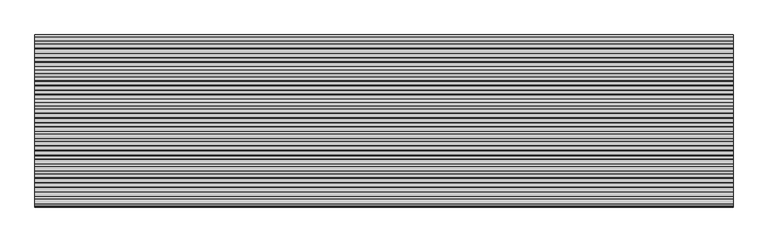
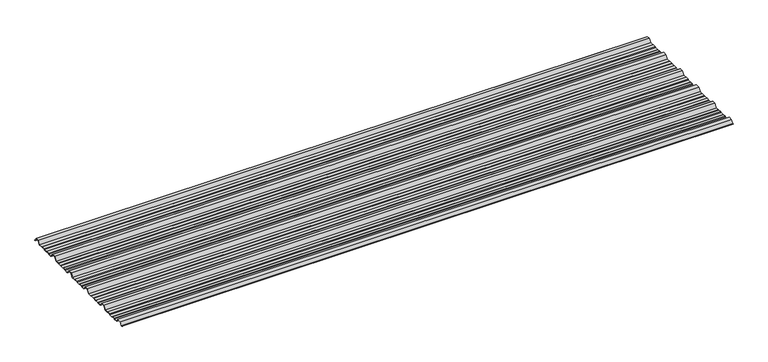
"""IFC4 building model written with IfcOpenShell, lengths in millimetres: beam geometry."""

import ifcopenshell
import ifcopenshell.guid

model = None  # the IFC model being written
_history = None  # IfcOwnerHistory: only IFC2X3 demands one
_inside = {}  # id of a spatial element -> (the spatial element, [elements in it])
_under = {}  # id of a project, library or spatial element -> (it, [spatial elements below it])
_declared = {}  # id of a project -> (the project, [libraries it declares])
_typed = {}  # id of a type object -> (the type object, [elements of that type])
_made_of = {}  # id of a material, layer set ... -> (it, [elements and type objects made of it])


def new_model(schema):
    """Start an empty IFC model of exactly this schema.

    Asked for "IFC4X3", IfcOpenShell would pick the latest addendum, in which some entities
    have other attributes; the version numbers below select the first issue.
    IFC2X3 requires an IfcOwnerHistory on every rooted entity: one is made here for all.
    """
    global model, _history
    if schema == "IFC4X3":
        model = ifcopenshell.file(schema_version=(4, 3, 0, 0))
    else:
        model = ifcopenshell.file(schema=schema)
    _inside.clear()
    _under.clear()
    _declared.clear()
    _typed.clear()
    _made_of.clear()
    _history = None
    if model.schema == "IFC2X3":
        org = make("IfcOrganization", Name="unknown")
        user = make(
            "IfcPersonAndOrganization",
            ThePerson=make("IfcPerson", FamilyName="unknown"),
            TheOrganization=org,
        )
        app = make(
            "IfcApplication",
            ApplicationDeveloper=org,
            Version="unknown",
            ApplicationFullName="unknown",
            ApplicationIdentifier="unknown",
        )
        _history = make(
            "IfcOwnerHistory",
            OwningUser=user,
            OwningApplication=app,
            ChangeAction="ADDED",
            CreationDate=0,
        )
    return model


def make(cls, **values):
    """One entity of the class cls with the attributes given. An attribute that is None is left unset."""
    return model.create_entity(
        cls, **{name: value for name, value in values.items() if value is not None}
    )


def rooted(cls, **values):
    """An entity with a GlobalId (a new one), such as an element, a storey or a relation."""
    return make(cls, GlobalId=ifcopenshell.guid.new(), OwnerHistory=_history, **values)


def si_unit(unit_type, name, prefix=None):
    """IfcSIUnit, for example si_unit("LENGTHUNIT", "METRE", prefix="MILLI")."""
    return make("IfcSIUnit", UnitType=unit_type, Prefix=prefix, Name=name)


def assignment(units):
    """IfcUnitAssignment: the units of a project."""
    return None if units is None else make("IfcUnitAssignment", Units=units)


def point(xyz):
    """IfcCartesianPoint."""
    return None if xyz is None else make("IfcCartesianPoint", Coordinates=xyz)


def direction(xyz):
    """IfcDirection."""
    return None if xyz is None else make("IfcDirection", DirectionRatios=xyz)


def frame(location, z_axis=None, x_axis=None):
    """IfcAxis2Placement3D, a coordinate frame: its origin and axes. An axis left out is left unset."""
    return make(
        "IfcAxis2Placement3D",
        Location=point(location),
        Axis=direction(z_axis),
        RefDirection=direction(x_axis),
    )


def frame_2d(location, x_axis=None):
    """IfcAxis2Placement2D, a coordinate frame in the plane: its origin and x axis."""
    return make(
        "IfcAxis2Placement2D", Location=point(location), RefDirection=direction(x_axis)
    )


def origin():
    """The frame at (0, 0, 0) with its axes left unset."""
    return frame((0.0, 0.0, 0.0))


def place(relative_to, where):
    """IfcLocalPlacement: puts the frame where relative to a parent placement (None: the world)."""
    return make(
        "IfcLocalPlacement", PlacementRelTo=relative_to, RelativePlacement=where
    )


def context(
    kind, dimensions, precision=None, world=None, true_north=None, identifier=None
):
    """IfcGeometricRepresentationContext, for example the 3D "Model" context."""
    return make(
        "IfcGeometricRepresentationContext",
        ContextIdentifier=identifier,
        ContextType=kind,
        CoordinateSpaceDimension=dimensions,
        Precision=precision,
        WorldCoordinateSystem=world,
        TrueNorth=true_north,
    )


def project(units=None, contexts=None):
    """IfcProject with its units and contexts."""
    return rooted(
        "IfcProject",
        Name="project",
        RepresentationContexts=contexts,
        UnitsInContext=assignment(units),
    )


def spatial(cls, under=None, at=None, **own):
    """A site, building, storey or space (cls), placed at a placement, below another one or the project."""
    s = rooted(cls, ObjectPlacement=at, **own)
    if under is not None:
        _under.setdefault(under.id(), (under, []))[1].append(s)
    return s


def polyline(points):
    """IfcPolyline through the points."""
    return make("IfcPolyline", Points=[point(p) for p in points])


def circle_curve(where, radius):
    """IfcCircle in the frame where."""
    return make("IfcCircle", Position=where, Radius=radius)


def trimmed(basis, trim1, trim2, sense, master):
    """IfcTrimmedCurve: the piece of a basis curve between two trims."""
    return make(
        "IfcTrimmedCurve",
        BasisCurve=basis,
        Trim1=trim1,
        Trim2=trim2,
        SenseAgreement=sense,
        MasterRepresentation=master,
    )


def segment(curve, same_sense, transition):
    """IfcCompositeCurveSegment."""
    return make(
        "IfcCompositeCurveSegment",
        Transition=transition,
        SameSense=same_sense,
        ParentCurve=curve,
    )


def composite_curve(segments, self_intersect=None):
    """IfcCompositeCurve: segments joined end to end."""
    return make("IfcCompositeCurve", Segments=segments, SelfIntersect=self_intersect)


def outline(outer, holes=None, kind="AREA"):
    """IfcArbitraryClosedProfileDef: a profile drawn as a closed curve; with holes, ...WithVoids."""
    if holes is None:
        return make("IfcArbitraryClosedProfileDef", ProfileType=kind, OuterCurve=outer)
    return make(
        "IfcArbitraryProfileDefWithVoids",
        ProfileType=kind,
        OuterCurve=outer,
        InnerCurves=holes,
    )


def extrude(swept, where, along, depth):
    """IfcExtrudedAreaSolid: the profile swept, set in the frame where, extruded along a direction by depth."""
    return make(
        "IfcExtrudedAreaSolid",
        SweptArea=swept,
        Position=where,
        ExtrudedDirection=direction(along),
        Depth=depth,
    )


def shape(context_of_items, identifier, shape_type, items):
    """IfcShapeRepresentation: the items that make up one representation, for example the "Body"."""
    return make(
        "IfcShapeRepresentation",
        ContextOfItems=context_of_items,
        RepresentationIdentifier=identifier,
        RepresentationType=shape_type,
        Items=items,
    )


def source(mapping_origin, context_of_items, identifier, shape_type, items):
    """IfcRepresentationMap: a shape defined once, which mapped items show again and again."""
    return make(
        "IfcRepresentationMap",
        MappingOrigin=mapping_origin,
        MappedRepresentation=shape(context_of_items, identifier, shape_type, items),
    )


def transform(
    local_origin,
    x_axis=None,
    y_axis=None,
    z_axis=None,
    scale=None,
    scale2=None,
    scale3=None,
    uniform=True,
):
    """IfcCartesianTransformationOperator3D, or its non-uniform kind. x_axis, y_axis, z_axis: its Axis1, 2, 3."""
    if uniform:
        return make(
            "IfcCartesianTransformationOperator3D",
            Axis1=direction(x_axis),
            Axis2=direction(y_axis),
            LocalOrigin=point(local_origin),
            Scale=scale,
            Axis3=direction(z_axis),
        )
    return make(
        "IfcCartesianTransformationOperator3DnonUniform",
        Axis1=direction(x_axis),
        Axis2=direction(y_axis),
        LocalOrigin=point(local_origin),
        Scale=scale,
        Axis3=direction(z_axis),
        Scale2=scale2,
        Scale3=scale3,
    )


def mapped(mapping_source, mapping_target):
    """IfcMappedItem: shows the shape of a source again, moved by a transform."""
    return make(
        "IfcMappedItem", MappingSource=mapping_source, MappingTarget=mapping_target
    )


def made_of(thing, what):
    """Note that an element or type object is made of a material, layer set ...; save() writes the relation."""
    if what is not None:
        _made_of.setdefault(what.id(), (what, []))[1].append(thing)
    return thing


def element(
    cls,
    number,
    at=None,
    inside=None,
    cuts=None,
    type_object=None,
    material=None,
    context=None,
    identifier="Body",
    shape_type=None,
    held_by="IfcProductDefinitionShape",
    body=None,
    shapes=None,
    **own,
):
    """One element of the class cls, such as IfcWall. Its Tag is "e" and its number.

    at: its placement. inside: the storey or other place that contains it. cuts: it is an
    opening in that element (IfcRelVoidsElement). A single representation is given by context,
    identifier, shape_type and body (its items); several are given by shapes. held_by: the class
    of the entity that holds the representations. save() writes the other relations.
    """
    e = rooted(cls, Tag="e%d" % number, ObjectPlacement=at, **own)
    if body is not None:
        shapes = [shape(context, identifier, shape_type, body)]
    if shapes is not None:
        e.Representation = make(held_by, Representations=shapes)
    if inside is not None:
        _inside.setdefault(inside.id(), (inside, []))[1].append(e)
    if cuts is not None:
        rooted(
            "IfcRelVoidsElement", RelatingBuildingElement=cuts, RelatedOpeningElement=e
        )
    if type_object is not None:
        _typed.setdefault(type_object.id(), (type_object, []))[1].append(e)
    return made_of(e, material)


def aggregate(whole, parts):
    """IfcRelAggregates: a whole, such as a stair, and the parts it consists of."""
    return rooted("IfcRelAggregates", RelatingObject=whole, RelatedObjects=parts)


def save(model, path):
    """Write the relations noted so far, then the file.

    IfcRelAggregates (storeys below a building ...), IfcRelContainedInSpatialStructure (elements
    in a storey), IfcRelDefinesByType, IfcRelAssociatesMaterial and IfcRelDeclares: one each for
    every whole, place, type object, material and project.
    """
    for whole, parts in _under.values():
        aggregate(whole, parts)
    for where, things in _inside.values():
        rooted(
            "IfcRelContainedInSpatialStructure",
            RelatedElements=things,
            RelatingStructure=where,
        )
    for kind, things in _typed.values():
        rooted("IfcRelDefinesByType", RelatedObjects=things, RelatingType=kind)
    for what, things in _made_of.values():
        rooted("IfcRelAssociatesMaterial", RelatedObjects=things, RelatingMaterial=what)
    for by, libraries in _declared.values():
        rooted("IfcRelDeclares", RelatingContext=by, RelatedDefinitions=libraries)
    model.write(path)


def beam_ac76a71b(model_context):
    return source(origin(), model_context, "Body", "SweptSolid", [
        extrude(outline(composite_curve([segment(polyline([(-159.5006096, -7.7896475), (-173.0, -25.7896475), (-191.1560825, -25.7896475), (-195.2826844, -23.7896475), (-212.8895196, -23.7896475), (-216.1536836, -25.7896475), (-234.9266573, -25.7896475), (-237.9681158, -23.7896475), (-253.6339196, -23.7896475), (-256.6775615, -25.7896475), (-277.0, -25.7896475), (-290.4993904, -7.7896475), (-309.5006096, -7.7896475), (-323.0, -25.7896475), (-341.1560825, -25.7896475), (-345.2826844, -23.7896475), (-362.8895196, -23.7896475), (-366.1536836, -25.7896475), (-384.9266573, -25.7896475), (-387.9681158, -23.7896475), (-403.6339196, -23.7896475), (-406.6775615, -25.7896475), (-427.0, -25.7896475), (-440.4993904, -7.7896475), (-459.5006096, -7.7896475), (-473.0, -25.7896475), (-491.1560825, -25.7896475), (-495.2826844, -23.7896475), (-512.8895196, -23.7896475), (-516.1536836, -25.7896475), (-534.9266573, -25.7896475), (-537.9681158, -23.7896475), (-553.6339196, -23.7896475), (-556.6775615, -25.7896475), (-577.0, -25.7896475), (-590.4993904, -7.7896475), (-609.5006096, -7.7896475), (-623.0, -25.7896475), (-641.1560825, -25.7896475), (-645.2826844, -23.7896475), (-662.8895196, -23.7896475), (-666.1536836, -25.7896475), (-684.9266573, -25.7896475), (-687.9681158, -23.7896475), (-703.6339196, -23.7896475), (-706.6775615, -25.7896475), (-727.0, -25.7896475), (-740.4993904, -7.7896475), (-759.5006096, -7.7896475), (-771.5000677, -23.7896475), (-775.173385, -23.7896475)]), True, "CONTINUOUS"), segment(trimmed(circle_curve(frame_2d((-775.173385, -23.2896475)), 0.5), [point((-775.173385, -23.7896475))], [point((-775.173385, -22.7896475))], False, "CARTESIAN"), True, "CONTINUOUS"), segment(polyline([(-775.173385, -22.7896475), (-771.9994581, -22.7896475), (-760.0, -6.7896475), (-740.0, -6.7896475), (-726.5006096, -24.7896475), (-706.9767126, -24.7896475), (-703.9330707, -22.7896475), (-687.6687853, -22.7896475), (-684.6273268, -24.7896475), (-666.4356788, -24.7896475), (-663.1715148, -22.7896475), (-645.0531246, -22.7896475), (-640.9265226, -24.7896475), (-623.4993904, -24.7896475), (-610.0, -6.7896475), (-590.0, -6.7896475), (-576.5006096, -24.7896475), (-556.9767126, -24.7896475), (-553.9330707, -22.7896475), (-537.6687853, -22.7896475), (-534.6273268, -24.7896475), (-516.4356788, -24.7896475), (-513.1715148, -22.7896475), (-495.0531246, -22.7896475), (-490.9265226, -24.7896475), (-473.4993904, -24.7896475), (-460.0, -6.7896475), (-440.0, -6.7896475), (-426.5006096, -24.7896475), (-406.9767126, -24.7896475), (-403.9330707, -22.7896475), (-387.6687853, -22.7896475), (-384.6273268, -24.7896475), (-366.4356788, -24.7896475), (-363.1715148, -22.7896475), (-345.0531246, -22.7896475), (-340.9265226, -24.7896475), (-323.4993904, -24.7896475), (-310.0, -6.7896475), (-290.0, -6.7896475), (-276.5006096, -24.7896475), (-256.9767126, -24.7896475), (-253.9330707, -22.7896475), (-237.6687853, -22.7896475), (-234.6273268, -24.7896475), (-216.4356788, -24.7896475), (-213.1715148, -22.7896475), (-195.0531246, -22.7896475), (-190.9265226, -24.7896475), (-173.4993904, -24.7896475), (-160.0, -6.7896475), (-140.0, -6.7896475), (-126.5006096, -24.7896475), (-106.9767126, -24.7896475), (-103.9330707, -22.7896475), (-87.6687853, -22.7896475), (-84.6273268, -24.7896475), (-66.4356788, -24.7896475), (-63.1715148, -22.7896475), (-45.0531246, -22.7896475), (-40.9265226, -24.7896475), (-20.999431, -24.7896475), (-8.9999729, -8.7896475), (8.9999729, -8.7896475), (20.6572433, -24.3333765)]), True, "CONTINUOUS"), segment(trimmed(circle_curve(frame_2d((20.2574362, -24.6332183)), 0.4997507), [point((20.6572433, -24.3333765))], [point((19.8576291, -24.9330601))], False, "CARTESIAN"), True, "CONTINUOUS"), segment(polyline([(19.8576291, -24.9330601), (8.5005825, -9.7896475), (-8.5005825, -9.7896475), (-20.5000406, -25.7896475), (-41.1560825, -25.7896475), (-45.2826844, -23.7896475), (-62.8895196, -23.7896475), (-66.1536836, -25.7896475), (-84.9266573, -25.7896475), (-87.9681158, -23.7896475), (-103.6339196, -23.7896475), (-106.6775615, -25.7896475), (-127.0, -25.7896475), (-140.4993904, -7.7896475), (-159.5006096, -7.7896475)]), True, "CONTINUOUS")], self_intersect=False)), frame((-1615.4201823, 0.0, 0.0), z_axis=(1.0, 0.0, 0.0), x_axis=(0.0, 1.0, 0.0)), (0.0, 0.0, 1.0), 3230.8403647),
    ])


if __name__ == "__main__":
    model = new_model("IFC4")
    model_context = context("Model", 3, world=origin())
    ifc_project = project(units=[si_unit("LENGTHUNIT", "METRE", prefix="MILLI")], contexts=[model_context])
    site = spatial("IfcSite", under=ifc_project)
    building = spatial("IfcBuilding", under=site)
    placement = place(None, origin())
    beam_shape = beam_ac76a71b(model_context)
    element("IfcBeam", 1, at=placement, inside=building, context=model_context, shape_type="MappedRepresentation", body=[
        mapped(beam_shape, transform((0.0, 0.0, 0.0), x_axis=(1.0, 0.0, 0.0), y_axis=(0.0, 1.0, 0.0), z_axis=(0.0, 0.0, 1.0))),
    ])
    save(model, "model.ifc")
